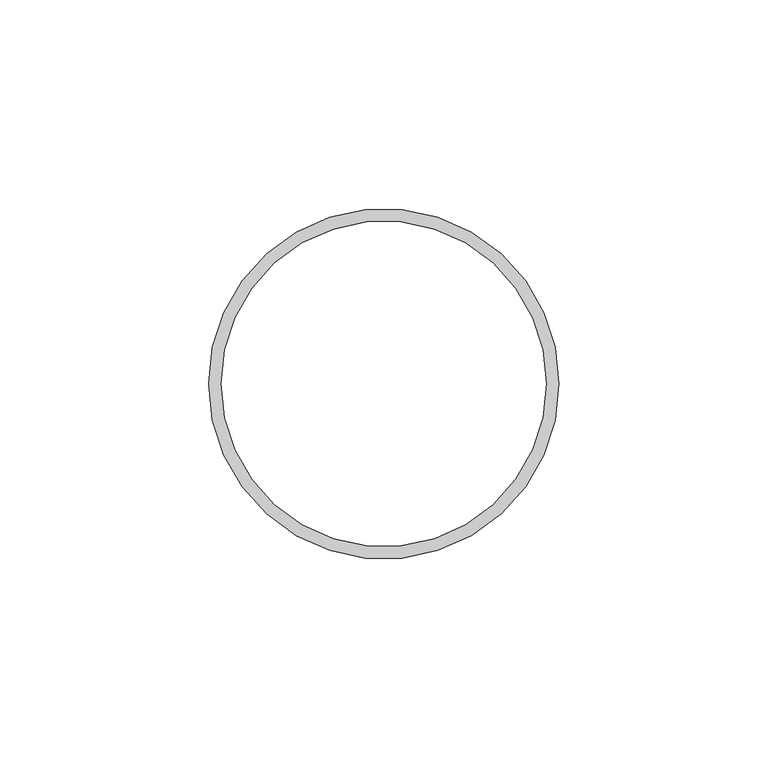
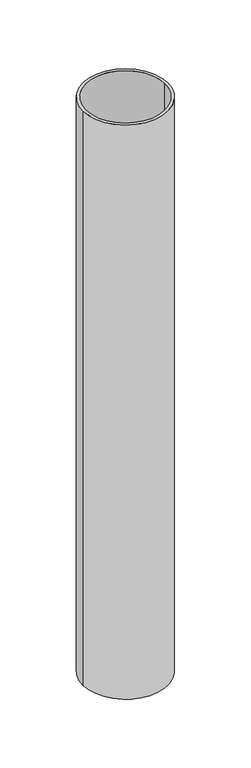
"""IFC4 building model written with IfcOpenShell, lengths in millimetres: beam geometry."""

from ifc_helpers import new_model, si_unit, point, frame, origin, origin_2d, place, context, project, spatial, circle_curve, trimmed, segment, composite_curve, outline, extrude, source, transform, mapped, element, save


def beam_88340ffd(model_context):
    return source(origin(), model_context, "Body", "SweptSolid", [
        extrude(outline(composite_curve([segment(trimmed(circle_curve(origin_2d(), 42.0), [point((42.0, 0.0))], [point((-42.0, 0.0))], False, "CARTESIAN"), True, "CONTINUOUS"), segment(trimmed(circle_curve(origin_2d(), 42.0), [point((-42.0, 0.0))], [point((42.0, 0.0))], False, "CARTESIAN"), True, "CONTINUOUS")], self_intersect=False), holes=[composite_curve([segment(trimmed(circle_curve(origin_2d(), 39.0), [point((39.0, 0.0))], [point((-39.0, 0.0))], True, "CARTESIAN"), True, "CONTINUOUS"), segment(trimmed(circle_curve(origin_2d(), 39.0), [point((-39.0, 0.0))], [point((39.0, 0.0))], True, "CARTESIAN"), True, "CONTINUOUS")], self_intersect=False)]), frame((0.0, 0.0, -600.0), z_axis=(0.0, 0.0, 1.0), x_axis=(1.0, 0.0, 0.0)), (0.0, 0.0, 1.0), 600.0),
    ])


if __name__ == "__main__":
    model = new_model("IFC4")
    model_context = context("Model", 3, world=origin())
    ifc_project = project(units=[si_unit("LENGTHUNIT", "METRE", prefix="MILLI")], contexts=[model_context])
    site = spatial("IfcSite", under=ifc_project)
    building = spatial("IfcBuilding", under=site)
    placement = place(None, origin())
    beam_shape = beam_88340ffd(model_context)
    element("IfcBeam", 1, at=placement, inside=building, context=model_context, shape_type="MappedRepresentation", body=[
        mapped(beam_shape, transform((0.0, 0.0, 0.0), x_axis=(1.0, 0.0, 0.0), y_axis=(0.0, 1.0, 0.0), z_axis=(0.0, 0.0, 1.0))),
    ])
    save(model, "model.ifc")
